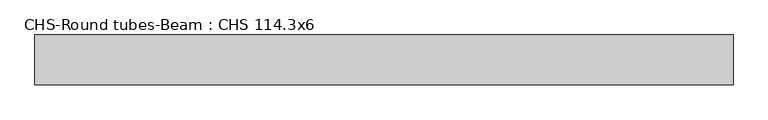
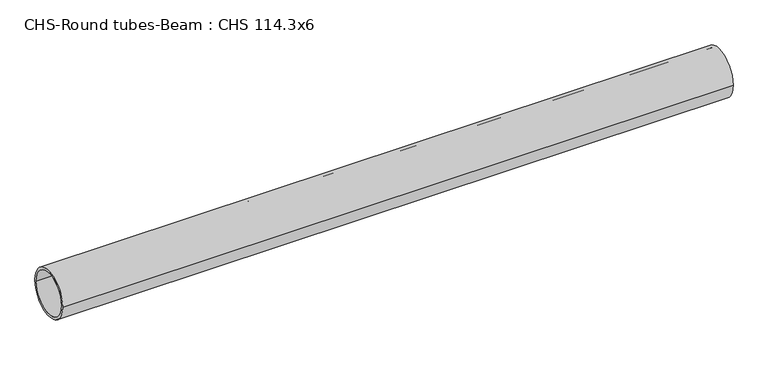
"""IFC4 building model written with IfcOpenShell, lengths in millimetres: beam geometry, CHS-Round tubes-Beam : CHS 114.3x6."""

from ifc_helpers import new_model, si_unit, point, frame, origin, origin_2d, place, context, project, spatial, circle_curve, trimmed, segment, composite_curve, outline, extrude, source, transform, mapped, element, save


def chs_round_tubes_beam_chs_114_3x6_b3d4f29a(model_context):
    return source(origin(), model_context, "Body", "SweptSolid", [
        extrude(outline(composite_curve([segment(trimmed(circle_curve(origin_2d(), 57.15), [point((57.15, 0.0))], [point((-57.15, 0.0))], False, "CARTESIAN"), True, "CONTINUOUS"), segment(trimmed(circle_curve(origin_2d(), 57.15), [point((-57.15, 0.0))], [point((57.15, 0.0))], False, "CARTESIAN"), True, "CONTINUOUS")], self_intersect=False), holes=[composite_curve([segment(trimmed(circle_curve(origin_2d(), 51.15), [point((51.15, 0.0))], [point((-51.15, 0.0))], True, "CARTESIAN"), True, "CONTINUOUS"), segment(trimmed(circle_curve(origin_2d(), 51.15), [point((-51.15, 0.0))], [point((51.15, 0.0))], True, "CARTESIAN"), True, "CONTINUOUS")], self_intersect=False)]), frame((-790.1445399, 0.0, 0.0), z_axis=(1.0, 0.0, 0.0), x_axis=(0.0, 1.0, 0.0)), (0.0, 0.0, 1.0), 1594.5427364),
    ])


if __name__ == "__main__":
    model = new_model("IFC4")
    model_context = context("Model", 3, world=origin())
    ifc_project = project(units=[si_unit("LENGTHUNIT", "METRE", prefix="MILLI")], contexts=[model_context])
    site = spatial("IfcSite", under=ifc_project)
    building = spatial("IfcBuilding", under=site)
    placement = place(None, origin())
    chs_round_tubes_beam_chs_114_3x6_shape = chs_round_tubes_beam_chs_114_3x6_b3d4f29a(model_context)
    element("IfcBeam", 1, ObjectType="CHS-Round tubes-Beam : CHS 114.3x6", at=placement, inside=building, context=model_context, shape_type="MappedRepresentation", body=[
        mapped(chs_round_tubes_beam_chs_114_3x6_shape, transform((0.0, 0.0, 0.0), x_axis=(1.0, 0.0, 0.0), y_axis=(0.0, 1.0, 0.0), z_axis=(0.0, 0.0, 1.0))),
    ])
    save(model, "model.ifc")
